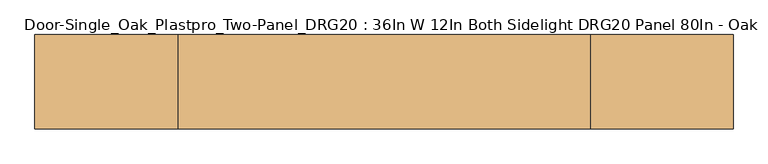
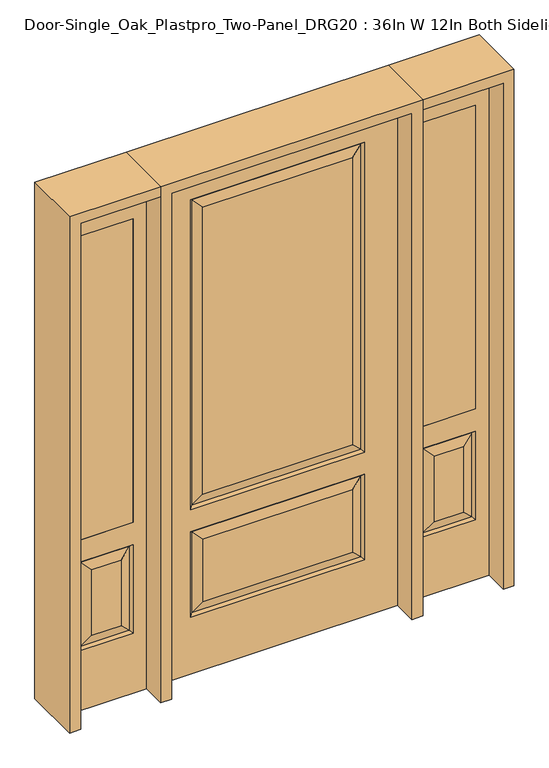
"""IFC4 building model written with IfcOpenShell, lengths in millimetres: door geometry, Door-Single_Oak_Plastpro_Two-Panel_DRG20 : 36In W 12In Both Sidelight DRG20 Panel 80In - Oak."""

from ifc_helpers import new_model, si_unit, frame, origin, place, context, project, spatial, polyline, outline, extrude, faceted_brep, source, transform, mapped, element, save


def door_single_oak_plastpro_two_panel_drg20_36in_w_12in_both_5288a4cc(model_context):
    return source(origin(), model_context, "Body", "SolidModel", [
        extrude(outline(polyline([(549.275, -20.6375), (549.275, 20.6375), (752.475, 20.6375), (752.475, -20.6375), (549.275, -20.6375)])), frame((0.0, 0.0, 685.8), z_axis=(0.0, 0.0, 1.0), x_axis=(1.0, 0.0, 0.0)), (0.0, 0.0, 1.0), 1219.2),
        faceted_brep([(803.275, -20.6375, 0.0), (803.275, -20.6375, 2032.0), (498.475, -20.6375, 2032.0), (498.475, -20.6375, 0.0), (549.275, -20.6375, 685.8), (549.275, -20.6375, 1905.0), (752.475, -20.6375, 1905.0), (752.475, -20.6375, 685.8), (549.275, -20.6375, 241.3), (549.275, -20.6375, 596.9), (752.475, -20.6375, 596.9), (752.475, -20.6375, 241.3), (706.4375, -20.6375, 287.3375), (706.4375, -20.6375, 550.8625), (595.3125, -20.6375, 550.8625), (595.3125, -20.6375, 287.3375), (498.475, 20.6375, 0.0), (803.275, 20.6375, 0.0), (498.475, 20.6375, 2032.0), (803.275, 20.6375, 2032.0), (558.2552561, -11.6572439, 250.2802561), (743.4947439, -11.6572439, 250.2802561), (743.4947439, -11.6572439, 587.9197439), (558.2552561, -11.6572439, 587.9197439), (752.475, 20.6375, 685.8), (549.275, 20.6375, 685.8), (752.475, 20.6375, 1905.0), (549.275, 20.6375, 1905.0), (752.475, 20.6375, 241.3), (752.475, 20.6375, 596.9), (549.275, 20.6375, 596.9), (549.275, 20.6375, 241.3), (595.3125, 20.6375, 287.3375), (595.3125, 20.6375, 550.8625), (706.4375, 20.6375, 550.8625), (706.4375, 20.6375, 287.3375), (558.2552561, 11.6572439, 250.2802561), (743.4947439, 11.6572439, 250.2802561), (558.2552561, 11.6572439, 587.9197439), (743.4947439, 11.6572439, 587.9197439)], [[[0, 1, 2, 3], [4, 5, 6, 7], [8, 9, 10, 11]], [[12, 13, 14, 15]], [[3, 16, 17, 0]], [[2, 18, 16, 3]], [[0, 17, 19, 1]], [[20, 8, 11, 21]], [[11, 10, 22, 21]], [[10, 9, 23, 22]], [[20, 23, 9, 8]], [[21, 12, 15, 20]], [[15, 14, 23, 20]], [[22, 23, 14, 13]], [[21, 22, 13, 12]], [[4, 7, 24, 25]], [[7, 6, 26, 24]], [[25, 27, 5, 4]], [[17, 16, 18, 19], [24, 26, 27, 25], [28, 29, 30, 31]], [[32, 33, 34, 35]], [[28, 31, 36, 37]], [[31, 30, 38, 36]], [[39, 38, 30, 29]], [[37, 39, 29, 28]], [[36, 32, 35, 37]], [[35, 34, 39, 37]], [[34, 33, 38, 39]], [[36, 38, 33, 32]], [[1, 19, 18, 2]], [[27, 26, 6, 5]]]),
        extrude(outline(polyline([(-549.275, -20.6375), (-752.475, -20.6375), (-752.475, 20.6375), (-549.275, 20.6375), (-549.275, -20.6375)])), frame((0.0, 0.0, 685.8), z_axis=(0.0, 0.0, 1.0), x_axis=(1.0, 0.0, 0.0)), (0.0, 0.0, 1.0), 1219.2),
        faceted_brep([(-803.275, -20.6375, 0.0), (-498.475, -20.6375, 0.0), (-498.475, -20.6375, 2032.0), (-803.275, -20.6375, 2032.0), (-549.275, -20.6375, 685.8), (-752.475, -20.6375, 685.8), (-752.475, -20.6375, 1905.0), (-549.275, -20.6375, 1905.0), (-549.275, -20.6375, 241.3), (-752.475, -20.6375, 241.3), (-752.475, -20.6375, 596.9), (-549.275, -20.6375, 596.9), (-706.4375, -20.6375, 287.3375), (-595.3125, -20.6375, 287.3375), (-595.3125, -20.6375, 550.8625), (-706.4375, -20.6375, 550.8625), (-803.275, 20.6375, 0.0), (-498.475, 20.6375, 0.0), (-498.475, 20.6375, 2032.0), (-803.275, 20.6375, 2032.0), (-558.2552561, -11.6572439, 250.2802561), (-743.4947439, -11.6572439, 250.2802561), (-743.4947439, -11.6572439, 587.9197439), (-558.2552561, -11.6572439, 587.9197439), (-549.275, 20.6375, 685.8), (-752.475, 20.6375, 685.8), (-752.475, 20.6375, 1905.0), (-549.275, 20.6375, 1905.0), (-752.475, 20.6375, 241.3), (-549.275, 20.6375, 241.3), (-549.275, 20.6375, 596.9), (-752.475, 20.6375, 596.9), (-595.3125, 20.6375, 287.3375), (-706.4375, 20.6375, 287.3375), (-706.4375, 20.6375, 550.8625), (-595.3125, 20.6375, 550.8625), (-743.4947439, 11.6572439, 250.2802561), (-558.2552561, 11.6572439, 250.2802561), (-558.2552561, 11.6572439, 587.9197439), (-743.4947439, 11.6572439, 587.9197439)], [[[0, 1, 2, 3], [4, 5, 6, 7], [8, 9, 10, 11]], [[12, 13, 14, 15]], [[1, 0, 16, 17]], [[2, 1, 17, 18]], [[0, 3, 19, 16]], [[20, 21, 9, 8]], [[9, 21, 22, 10]], [[10, 22, 23, 11]], [[20, 8, 11, 23]], [[21, 20, 13, 12]], [[13, 20, 23, 14]], [[22, 15, 14, 23]], [[21, 12, 15, 22]], [[4, 24, 25, 5]], [[5, 25, 26, 6]], [[24, 4, 7, 27]], [[16, 19, 18, 17], [25, 24, 27, 26], [28, 29, 30, 31]], [[32, 33, 34, 35]], [[28, 36, 37, 29]], [[29, 37, 38, 30]], [[39, 31, 30, 38]], [[36, 28, 31, 39]], [[37, 36, 33, 32]], [[33, 36, 39, 34]], [[34, 39, 38, 35]], [[37, 32, 35, 38]], [[3, 2, 18, 19]], [[27, 7, 6, 26]]]),
        faceted_brep([(-321.2197439, -11.6572439, 237.5802561), (-284.1625, -20.6375, 274.6375), (-284.1625, -20.6375, 525.4625), (-321.2197439, -11.6572439, 562.5197439), (-330.2, 20.6375, 228.6), (-321.2197439, 11.6572439, 237.5802561), (321.2197439, 11.6572439, 237.5802561), (330.2, 20.6375, 228.6), (-330.2, 20.6375, 571.5), (-321.2197439, 11.6572439, 562.5197439), (321.2197439, 11.6572439, 562.5197439), (330.2, 20.6375, 571.5), (457.2, 20.6375, 2032.0), (-457.2, 20.6375, 2032.0), (-457.2, -20.6375, 2032.0), (457.2, -20.6375, 2032.0), (457.2, 20.6375, 0.0), (457.2, -20.6375, 0.0), (-457.2, -20.6375, 0.0), (-457.2, 20.6375, 0.0), (284.1625, -20.6375, 274.6375), (284.1625, -20.6375, 525.4625), (-284.1625, -20.6375, 706.4375), (284.1625, -20.6375, 706.4375), (284.1625, -20.6375, 1858.9625), (-284.1625, -20.6375, 1858.9625), (330.2, -20.6375, 660.4), (-330.2, -20.6375, 660.4), (-330.2, -20.6375, 1905.0), (330.2, -20.6375, 1905.0), (330.2, -20.6375, 228.6), (-330.2, -20.6375, 228.6), (-330.2, -20.6375, 571.5), (330.2, -20.6375, 571.5), (-284.1625, 20.6375, 1858.9625), (284.1625, 20.6375, 1858.9625), (284.1625, 20.6375, 706.4375), (-284.1625, 20.6375, 706.4375), (-284.1625, 20.6375, 525.4625), (284.1625, 20.6375, 525.4625), (284.1625, 20.6375, 274.6375), (-284.1625, 20.6375, 274.6375), (330.2, 20.6375, 1905.0), (-330.2, 20.6375, 1905.0), (-330.2, 20.6375, 660.4), (330.2, 20.6375, 660.4), (-321.2197439, 11.6572439, 1896.0197439), (-321.2197439, 11.6572439, 669.3802561), (321.2197439, 11.6572439, 669.3802561), (321.2197439, 11.6572439, 1896.0197439), (321.2197439, -11.6572439, 669.3802561), (-321.2197439, -11.6572439, 669.3802561), (-321.2197439, -11.6572439, 1896.0197439), (321.2197439, -11.6572439, 1896.0197439), (321.2197439, -11.6572439, 237.5802561), (321.2197439, -11.6572439, 562.5197439)], [[[0, 1, 2, 3]], [[4, 5, 6, 7]], [[8, 9, 5, 4]], [[10, 9, 8, 11]], [[12, 13, 14, 15]], [[16, 17, 18, 19]], [[12, 15, 17, 16]], [[1, 20, 21, 2]], [[22, 23, 24, 25]], [[15, 14, 18, 17], [26, 27, 28, 29], [30, 31, 32, 33]], [[14, 13, 19, 18]], [[34, 35, 36, 37]], [[38, 39, 40, 41]], [[13, 12, 16, 19], [11, 8, 4, 7], [42, 43, 44, 45]], [[43, 46, 47, 44]], [[44, 47, 48, 45]], [[49, 42, 45, 48]], [[35, 49, 48, 36]], [[47, 37, 36, 48]], [[46, 34, 37, 47]], [[10, 11, 7, 6]], [[9, 10, 39, 38]], [[39, 10, 6, 40]], [[5, 41, 40, 6]], [[9, 38, 41, 5]], [[50, 51, 27, 26]], [[27, 51, 52, 28]], [[50, 26, 29, 53]], [[51, 50, 23, 22]], [[23, 50, 53, 24]], [[51, 22, 25, 52]], [[54, 0, 31, 30]], [[31, 0, 3, 32]], [[32, 3, 55, 33]], [[54, 30, 33, 55]], [[0, 54, 20, 1]], [[20, 54, 55, 21]], [[3, 2, 21, 55]], [[28, 52, 53, 29]], [[52, 25, 24, 53]], [[49, 46, 43, 42]], [[46, 49, 35, 34]]]),
        extrude(outline(polyline([(2032.0, -498.475), (2073.275, -498.475), (2073.275, -844.55), (0.0, -844.55), (0.0, -803.275), (2032.0, -803.275), (2032.0, -498.475)])), frame((0.0, -114.3, 0.0), z_axis=(0.0, 1.0, 0.0), x_axis=(0.0, 0.0, 1.0)), (0.0, 0.0, 1.0), 228.6),
        extrude(outline(polyline([(2073.275, -498.475), (0.0, -498.475), (0.0, -457.2), (2032.0, -457.2), (2032.0, 457.2), (0.0, 457.2), (0.0, 498.475), (2073.275, 498.475), (2073.275, -498.475)])), frame((0.0, -114.3, 0.0), z_axis=(0.0, 1.0, 0.0), x_axis=(0.0, 0.0, 1.0)), (0.0, 0.0, 1.0), 228.6),
        extrude(outline(polyline([(0.0, 803.275), (0.0, 844.55), (2073.275, 844.55), (2073.275, 498.475), (2032.0, 498.475), (2032.0, 803.275), (0.0, 803.275)])), frame((0.0, -114.3, 0.0), z_axis=(0.0, 1.0, 0.0), x_axis=(0.0, 0.0, 1.0)), (0.0, 0.0, 1.0), 228.6),
    ])


if __name__ == "__main__":
    model = new_model("IFC4")
    model_context = context("Model", 3, world=origin())
    ifc_project = project(units=[si_unit("LENGTHUNIT", "METRE", prefix="MILLI")], contexts=[model_context])
    site = spatial("IfcSite", under=ifc_project)
    building = spatial("IfcBuilding", under=site)
    placement = place(None, origin())
    door_single_oak_plastpro_two_panel_drg20_36in_w_12in_both_shape = door_single_oak_plastpro_two_panel_drg20_36in_w_12in_both_5288a4cc(model_context)
    element("IfcDoor", 1, ObjectType="Door-Single_Oak_Plastpro_Two-Panel_DRG20 : 36In W 12In Both Sidelight DRG20 Panel 80In - Oak", at=placement, inside=building, context=model_context, shape_type="MappedRepresentation", body=[
        mapped(door_single_oak_plastpro_two_panel_drg20_36in_w_12in_both_shape, transform((0.0, 0.0, 0.0), x_axis=(1.0, 0.0, 0.0), y_axis=(0.0, 1.0, 0.0), z_axis=(0.0, 0.0, 1.0))),
    ])
    save(model, "model.ifc")
